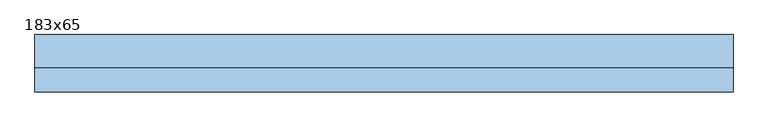
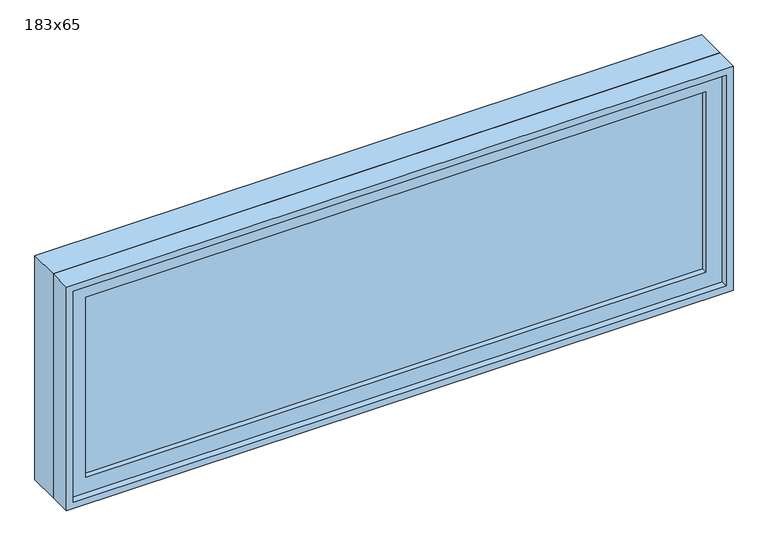
"""IFC4 building model written with IfcOpenShell, lengths in millimetres: window geometry, 183x65."""

from ifc_helpers import new_model, si_unit, frame, origin, place, context, project, spatial, polyline, outline, extrude, source, transform, mapped, element, save


def window_183x65_e642f9ad(model_context):
    return source(origin(), model_context, "Body", "SweptSolid", [
        extrude(outline(polyline([(813.4, -27.375), (813.4, -40.075), (-889.6, -40.075), (-889.6, -27.375), (813.4, -27.375)])), frame((0.0, 0.0, 977.9), z_axis=(0.0, 0.0, 1.0), x_axis=(1.0, 0.0, 0.0)), (0.0, 0.0, 1.0), 523.0),
        extrude(outline(polyline([(1545.35, -934.05), (933.45, -934.05), (933.45, 857.85), (1545.35, 857.85), (1545.35, -934.05)]), holes=[polyline([(1500.9, -889.6), (1500.9, 813.4), (977.9, 813.4), (977.9, -889.6), (1500.9, -889.6)])]), frame((0.0, -55.95, 0.0), z_axis=(0.0, 1.0, 0.0), x_axis=(0.0, 0.0, 1.0)), (0.0, 0.0, 1.0), 44.45),
        extrude(outline(polyline([(1564.4, -953.1), (914.4, -953.1), (914.4, 876.9), (1564.4, 876.9), (1564.4, -953.1)]), holes=[polyline([(1532.65, -921.35), (1532.65, 845.15), (946.15, 845.15), (946.15, -921.35), (1532.65, -921.35)])]), frame((0.0, -11.5, 0.0), z_axis=(0.0, 1.0, 0.0), x_axis=(0.0, 0.0, 1.0)), (0.0, 0.0, 1.0), 86.5),
        extrude(outline(polyline([(1564.4, 876.9), (1564.4, -953.1), (914.4, -953.1), (914.4, 876.9), (1564.4, 876.9)]), holes=[polyline([(1545.35, 857.85), (933.45, 857.85), (933.45, -934.05), (1545.35, -934.05), (1545.35, 857.85)])]), frame((0.0, -75.0, 0.0), z_axis=(0.0, 1.0, 0.0), x_axis=(0.0, 0.0, 1.0)), (0.0, 0.0, 1.0), 63.5),
    ])


if __name__ == "__main__":
    model = new_model("IFC4")
    model_context = context("Model", 3, world=origin())
    ifc_project = project(units=[si_unit("LENGTHUNIT", "METRE", prefix="MILLI")], contexts=[model_context])
    site = spatial("IfcSite", under=ifc_project)
    building = spatial("IfcBuilding", under=site)
    placement = place(None, origin())
    window_183x65_shape = window_183x65_e642f9ad(model_context)
    element("IfcWindow", 1, ObjectType="183x65", at=placement, inside=building, context=model_context, shape_type="MappedRepresentation", body=[
        mapped(window_183x65_shape, transform((0.0, 0.0, 0.0), x_axis=(1.0, 0.0, 0.0), y_axis=(0.0, 1.0, 0.0), z_axis=(0.0, 0.0, 1.0))),
    ])
    save(model, "model.ifc")
